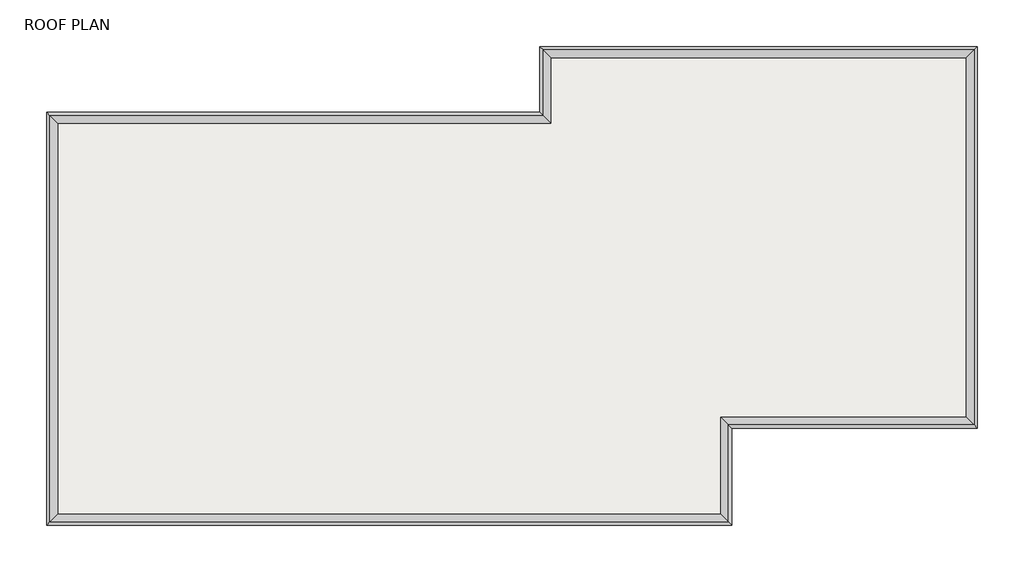
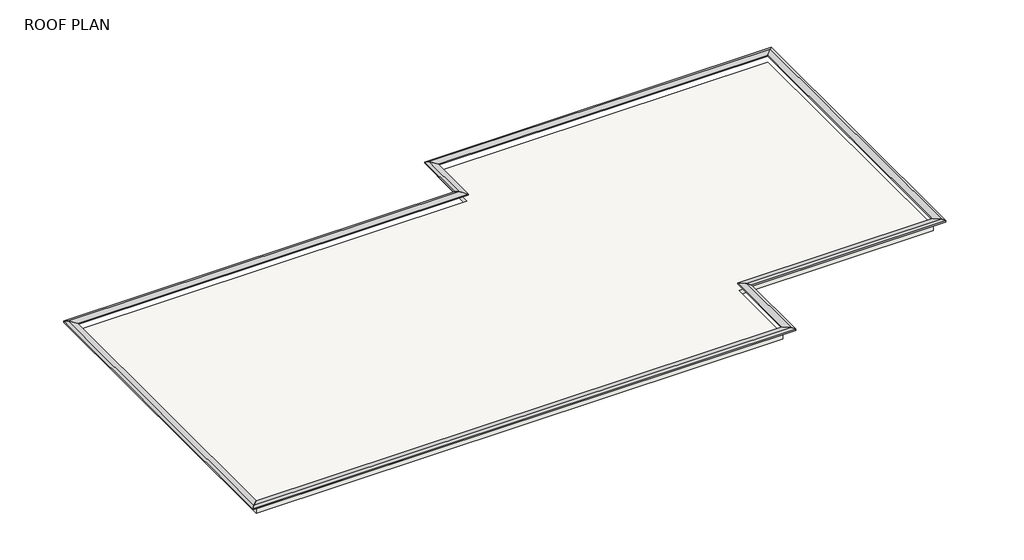
# One storey: 8 proxies, 1 roof.
"""IFC4 building model written with IfcOpenShell, lengths in millimetres."""

import ifcopenshell
import ifcopenshell.guid

model = None  # the IFC model being written
_history = None  # IfcOwnerHistory: only IFC2X3 demands one
_inside = {}  # id of a spatial element -> (the spatial element, [elements in it])
_under = {}  # id of a project, library or spatial element -> (it, [spatial elements below it])
_declared = {}  # id of a project -> (the project, [libraries it declares])
_typed = {}  # id of a type object -> (the type object, [elements of that type])
_made_of = {}  # id of a material, layer set ... -> (it, [elements and type objects made of it])


def new_model(schema):
    """Start an empty IFC model of exactly this schema.

    Asked for "IFC4X3", IfcOpenShell would pick the latest addendum, in which some entities
    have other attributes; the version numbers below select the first issue.
    IFC2X3 requires an IfcOwnerHistory on every rooted entity: one is made here for all.
    """
    global model, _history
    if schema == "IFC4X3":
        model = ifcopenshell.file(schema_version=(4, 3, 0, 0))
    else:
        model = ifcopenshell.file(schema=schema)
    _inside.clear()
    _under.clear()
    _declared.clear()
    _typed.clear()
    _made_of.clear()
    _history = None
    if model.schema == "IFC2X3":
        org = make("IfcOrganization", Name="unknown")
        user = make(
            "IfcPersonAndOrganization",
            ThePerson=make("IfcPerson", FamilyName="unknown"),
            TheOrganization=org,
        )
        app = make(
            "IfcApplication",
            ApplicationDeveloper=org,
            Version="unknown",
            ApplicationFullName="unknown",
            ApplicationIdentifier="unknown",
        )
        _history = make(
            "IfcOwnerHistory",
            OwningUser=user,
            OwningApplication=app,
            ChangeAction="ADDED",
            CreationDate=0,
        )
    return model


def make(cls, **values):
    """One entity of the class cls with the attributes given. An attribute that is None is left unset."""
    return model.create_entity(
        cls, **{name: value for name, value in values.items() if value is not None}
    )


def rooted(cls, **values):
    """An entity with a GlobalId (a new one), such as an element, a storey or a relation."""
    return make(cls, GlobalId=ifcopenshell.guid.new(), OwnerHistory=_history, **values)


def si_unit(unit_type, name, prefix=None):
    """IfcSIUnit, for example si_unit("LENGTHUNIT", "METRE", prefix="MILLI")."""
    return make("IfcSIUnit", UnitType=unit_type, Prefix=prefix, Name=name)


def assignment(units):
    """IfcUnitAssignment: the units of a project."""
    return None if units is None else make("IfcUnitAssignment", Units=units)


def point(xyz):
    """IfcCartesianPoint."""
    return None if xyz is None else make("IfcCartesianPoint", Coordinates=xyz)


def direction(xyz):
    """IfcDirection."""
    return None if xyz is None else make("IfcDirection", DirectionRatios=xyz)


def frame(location, z_axis=None, x_axis=None):
    """IfcAxis2Placement3D, a coordinate frame: its origin and axes. An axis left out is left unset."""
    return make(
        "IfcAxis2Placement3D",
        Location=point(location),
        Axis=direction(z_axis),
        RefDirection=direction(x_axis),
    )


def origin():
    """The frame at (0, 0, 0) with its axes left unset."""
    return frame((0.0, 0.0, 0.0))


def place(relative_to, where):
    """IfcLocalPlacement: puts the frame where relative to a parent placement (None: the world)."""
    return make(
        "IfcLocalPlacement", PlacementRelTo=relative_to, RelativePlacement=where
    )


def context(
    kind, dimensions, precision=None, world=None, true_north=None, identifier=None
):
    """IfcGeometricRepresentationContext, for example the 3D "Model" context."""
    return make(
        "IfcGeometricRepresentationContext",
        ContextIdentifier=identifier,
        ContextType=kind,
        CoordinateSpaceDimension=dimensions,
        Precision=precision,
        WorldCoordinateSystem=world,
        TrueNorth=true_north,
    )


def project(units=None, contexts=None):
    """IfcProject with its units and contexts."""
    return rooted(
        "IfcProject",
        Name="project",
        RepresentationContexts=contexts,
        UnitsInContext=assignment(units),
    )


def spatial(cls, under=None, at=None, **own):
    """A site, building, storey or space (cls), placed at a placement, below another one or the project."""
    s = rooted(cls, ObjectPlacement=at, **own)
    if under is not None:
        _under.setdefault(under.id(), (under, []))[1].append(s)
    return s


def polyline(points):
    """IfcPolyline through the points."""
    return make("IfcPolyline", Points=[point(p) for p in points])


def outline(outer, holes=None, kind="AREA"):
    """IfcArbitraryClosedProfileDef: a profile drawn as a closed curve; with holes, ...WithVoids."""
    if holes is None:
        return make("IfcArbitraryClosedProfileDef", ProfileType=kind, OuterCurve=outer)
    return make(
        "IfcArbitraryProfileDefWithVoids",
        ProfileType=kind,
        OuterCurve=outer,
        InnerCurves=holes,
    )


def extrude(swept, where, along, depth):
    """IfcExtrudedAreaSolid: the profile swept, set in the frame where, extruded along a direction by depth."""
    return make(
        "IfcExtrudedAreaSolid",
        SweptArea=swept,
        Position=where,
        ExtrudedDirection=direction(along),
        Depth=depth,
    )


def faces_of(points, faces, orient=None, outer=None):
    """IfcFace entities. A face is a list of loops; a loop is a list of indices into points, from 0.

    orient and outer hold one flag for each loop. By default every Orientation is true, the
    first loop of a face is its IfcFaceOuterBound and the others are IfcFaceBound.
    """
    made = []
    for i, loops in enumerate(faces):
        bounds = []
        for j, loop in enumerate(loops):
            is_outer = j == 0 if outer is None else outer[i][j]
            bounds.append(
                make(
                    "IfcFaceOuterBound" if is_outer else "IfcFaceBound",
                    Bound=make("IfcPolyLoop", Polygon=[points[k] for k in loop]),
                    Orientation=True if orient is None else orient[i][j],
                )
            )
        made.append(make("IfcFace", Bounds=bounds))
    return made


def faceted_brep(points, faces, orient=None, outer=None, voids=None):
    """IfcFacetedBrep: a solid bounded by flat faces; with voids (closed shells), ...WithVoids."""
    shared = [point(p) for p in points]
    hull = make("IfcClosedShell", CfsFaces=faces_of(shared, faces, orient, outer))
    if voids is None:
        return make("IfcFacetedBrep", Outer=hull)
    return make(
        "IfcFacetedBrepWithVoids",
        Outer=hull,
        Voids=[
            make(cls, CfsFaces=faces_of(shared, fs, o, b)) for cls, fs, o, b in voids
        ],
    )


def shape(context_of_items, identifier, shape_type, items):
    """IfcShapeRepresentation: the items that make up one representation, for example the "Body"."""
    return make(
        "IfcShapeRepresentation",
        ContextOfItems=context_of_items,
        RepresentationIdentifier=identifier,
        RepresentationType=shape_type,
        Items=items,
    )


def made_of(thing, what):
    """Note that an element or type object is made of a material, layer set ...; save() writes the relation."""
    if what is not None:
        _made_of.setdefault(what.id(), (what, []))[1].append(thing)
    return thing


def element(
    cls,
    number,
    at=None,
    inside=None,
    cuts=None,
    type_object=None,
    material=None,
    context=None,
    identifier="Body",
    shape_type=None,
    held_by="IfcProductDefinitionShape",
    body=None,
    shapes=None,
    **own,
):
    """One element of the class cls, such as IfcWall. Its Tag is "e" and its number.

    at: its placement. inside: the storey or other place that contains it. cuts: it is an
    opening in that element (IfcRelVoidsElement). A single representation is given by context,
    identifier, shape_type and body (its items); several are given by shapes. held_by: the class
    of the entity that holds the representations. save() writes the other relations.
    """
    e = rooted(cls, Tag="e%d" % number, ObjectPlacement=at, **own)
    if body is not None:
        shapes = [shape(context, identifier, shape_type, body)]
    if shapes is not None:
        e.Representation = make(held_by, Representations=shapes)
    if inside is not None:
        _inside.setdefault(inside.id(), (inside, []))[1].append(e)
    if cuts is not None:
        rooted(
            "IfcRelVoidsElement", RelatingBuildingElement=cuts, RelatedOpeningElement=e
        )
    if type_object is not None:
        _typed.setdefault(type_object.id(), (type_object, []))[1].append(e)
    return made_of(e, material)


def aggregate(whole, parts):
    """IfcRelAggregates: a whole, such as a stair, and the parts it consists of."""
    return rooted("IfcRelAggregates", RelatingObject=whole, RelatedObjects=parts)


def save(model, path):
    """Write the relations noted so far, then the file.

    IfcRelAggregates (storeys below a building ...), IfcRelContainedInSpatialStructure (elements
    in a storey), IfcRelDefinesByType, IfcRelAssociatesMaterial and IfcRelDeclares: one each for
    every whole, place, type object, material and project.
    """
    for whole, parts in _under.values():
        aggregate(whole, parts)
    for where, things in _inside.values():
        rooted(
            "IfcRelContainedInSpatialStructure",
            RelatedElements=things,
            RelatingStructure=where,
        )
    for kind, things in _typed.values():
        rooted("IfcRelDefinesByType", RelatedObjects=things, RelatingType=kind)
    for what, things in _made_of.values():
        rooted("IfcRelAssociatesMaterial", RelatedObjects=things, RelatingMaterial=what)
    for by, libraries in _declared.values():
        rooted("IfcRelDeclares", RelatingContext=by, RelatedDefinitions=libraries)
    model.write(path)


model = new_model("IFC4")

# Units and contexts
model_context = context("Model", 3, world=origin())
ifc_project = project(units=[si_unit("LENGTHUNIT", "METRE", prefix="MILLI")], contexts=[model_context])

# Site, building, storey
site = spatial("IfcSite", under=ifc_project)
building = spatial("IfcBuilding", under=site)
storey = spatial("IfcBuildingStorey", under=building, Name="ROOF PLAN", Elevation=7315.2)

# Proxies
placement = place(None, origin())
element("IfcBuildingElementProxy", 1, Name="Wall Sweeps", at=placement, inside=storey, context=model_context, shape_type="Brep", body=[
    faceted_brep([(11093.5689801, 5579.2827269, 7683.5), (11372.9689801, 5858.6827269, 7721.6), (11499.9689801, 5985.6827269, 7683.5), (11499.9689801, 5985.6827269, 7620.0), (11093.5689801, 5579.2827269, 7620.0), (11093.5689801, -7762.0672731, 7683.5), (11093.5689801, -7762.0672731, 7620.0), (11499.9689801, -8168.4672731, 7620.0), (11499.9689801, -8168.4672731, 7683.5), (11372.9689801, -8041.4672731, 7721.6)], [[[0, 1, 2, 3, 4]], [[5, 6, 7, 8, 9]], [[1, 0, 5, 9]], [[2, 1, 9, 8]], [[3, 2, 8, 7]], [[4, 3, 7, 6]], [[0, 4, 6, 5]]]),
])
element("IfcBuildingElementProxy", 2, Name="Wall Sweeps", at=placement, inside=storey, context=model_context, shape_type="Brep", body=[
    faceted_brep([(11093.5689801, -7762.0672731, 7683.5), (11372.9689801, -8041.4672731, 7721.6), (11499.9689801, -8168.4672731, 7683.5), (11499.9689801, -8168.4672731, 7620.0), (11093.5689801, -7762.0672731, 7620.0), (1984.4939801, -7762.0672731, 7683.5), (1984.4939801, -7762.0672731, 7620.0), (2390.8939801, -8168.4672731, 7620.0), (2390.8939801, -8168.4672731, 7683.5), (2263.8939801, -8041.4672731, 7721.6)], [[[0, 1, 2, 3, 4]], [[5, 6, 7, 8, 9]], [[1, 0, 5, 9]], [[2, 1, 9, 8]], [[3, 2, 8, 7]], [[4, 3, 7, 6]], [[0, 4, 6, 5]]]),
])
element("IfcBuildingElementProxy", 3, Name="Wall Sweeps", at=placement, inside=storey, context=model_context, shape_type="Brep", body=[
    faceted_brep([(1984.4939801, -7762.0672731, 7683.5), (2263.8939801, -8041.4672731, 7721.6), (2390.8939801, -8168.4672731, 7683.5), (2390.8939801, -8168.4672731, 7620.0), (1984.4939801, -7762.0672731, 7620.0), (1984.4939801, -11349.8172731, 7683.5), (1984.4939801, -11349.8172731, 7620.0), (2390.8939801, -11756.2172731, 7620.0), (2390.8939801, -11756.2172731, 7683.5), (2263.8939801, -11629.2172731, 7721.6)], [[[0, 1, 2, 3, 4]], [[5, 6, 7, 8, 9]], [[1, 0, 5, 9]], [[2, 1, 9, 8]], [[3, 2, 8, 7]], [[4, 3, 7, 6]], [[0, 4, 6, 5]]]),
])
element("IfcBuildingElementProxy", 4, Name="Wall Sweeps", at=placement, inside=storey, context=model_context, shape_type="Brep", body=[
    faceted_brep([(1984.4939801, -11349.8172731, 7683.5), (2263.8939801, -11629.2172731, 7721.6), (2390.8939801, -11756.2172731, 7683.5), (2390.8939801, -11756.2172731, 7620.0), (1984.4939801, -11349.8172731, 7620.0), (-22599.5310199, -11349.8172731, 7683.5), (-22599.5310199, -11349.8172731, 7620.0), (-23005.9310199, -11756.2172731, 7620.0), (-23005.9310199, -11756.2172731, 7683.5), (-22878.9310199, -11629.2172731, 7721.6)], [[[0, 1, 2, 3, 4]], [[5, 6, 7, 8, 9]], [[1, 0, 5, 9]], [[2, 1, 9, 8]], [[3, 2, 8, 7]], [[4, 3, 7, 6]], [[0, 4, 6, 5]]]),
])
element("IfcBuildingElementProxy", 5, Name="Wall Sweeps", at=placement, inside=storey, context=model_context, shape_type="Brep", body=[
    faceted_brep([(-22599.5310199, -11349.8172731, 7683.5), (-22878.9310199, -11629.2172731, 7721.6), (-23005.9310199, -11756.2172731, 7683.5), (-23005.9310199, -11756.2172731, 7620.0), (-22599.5310199, -11349.8172731, 7620.0), (-22599.5310199, 3140.8827269, 7683.5), (-22599.5310199, 3140.8827269, 7620.0), (-23005.9310199, 3547.2827269, 7620.0), (-23005.9310199, 3547.2827269, 7683.5), (-22878.9310199, 3420.2827269, 7721.6)], [[[0, 1, 2, 3, 4]], [[5, 6, 7, 8, 9]], [[1, 0, 5, 9]], [[2, 1, 9, 8]], [[3, 2, 8, 7]], [[4, 3, 7, 6]], [[0, 4, 6, 5]]]),
])
element("IfcBuildingElementProxy", 6, Name="Wall Sweeps", at=placement, inside=storey, context=model_context, shape_type="Brep", body=[
    faceted_brep([(-22599.5310199, 3140.8827269, 7683.5), (-22878.9310199, 3420.2827269, 7721.6), (-23005.9310199, 3547.2827269, 7683.5), (-23005.9310199, 3547.2827269, 7620.0), (-22599.5310199, 3140.8827269, 7620.0), (-4311.5310199, 3140.8827269, 7683.5), (-4311.5310199, 3140.8827269, 7620.0), (-4717.9310199, 3547.2827269, 7620.0), (-4717.9310199, 3547.2827269, 7683.5), (-4590.9310199, 3420.2827269, 7721.6)], [[[0, 1, 2, 3, 4]], [[5, 6, 7, 8, 9]], [[1, 0, 5, 9]], [[2, 1, 9, 8]], [[3, 2, 8, 7]], [[4, 3, 7, 6]], [[0, 4, 6, 5]]]),
])
element("IfcBuildingElementProxy", 7, Name="Wall Sweeps", at=placement, inside=storey, context=model_context, shape_type="Brep", body=[
    faceted_brep([(-4311.5310199, 3140.8827269, 7683.5), (-4590.9310199, 3420.2827269, 7721.6), (-4717.9310199, 3547.2827269, 7683.5), (-4717.9310199, 3547.2827269, 7620.0), (-4311.5310199, 3140.8827269, 7620.0), (-4311.5310199, 5579.2827269, 7683.5), (-4311.5310199, 5579.2827269, 7620.0), (-4717.9310199, 5985.6827269, 7620.0), (-4717.9310199, 5985.6827269, 7683.5), (-4590.9310199, 5858.6827269, 7721.6)], [[[0, 1, 2, 3, 4]], [[5, 6, 7, 8, 9]], [[1, 0, 5, 9]], [[2, 1, 9, 8]], [[3, 2, 8, 7]], [[4, 3, 7, 6]], [[0, 4, 6, 5]]]),
])
element("IfcBuildingElementProxy", 8, Name="Wall Sweeps", at=placement, inside=storey, context=model_context, shape_type="Brep", body=[
    faceted_brep([(-4311.5310199, 5579.2827269, 7683.5), (-4590.9310199, 5858.6827269, 7721.6), (-4717.9310199, 5985.6827269, 7683.5), (-4717.9310199, 5985.6827269, 7620.0), (-4311.5310199, 5579.2827269, 7620.0), (11093.5689801, 5579.2827269, 7683.5), (11093.5689801, 5579.2827269, 7620.0), (11499.9689801, 5985.6827269, 7620.0), (11499.9689801, 5985.6827269, 7683.5), (11372.9689801, 5858.6827269, 7721.6)], [[[0, 1, 2, 3, 4]], [[5, 6, 7, 8, 9]], [[1, 0, 5, 9]], [[2, 1, 9, 8]], [[3, 2, 8, 7]], [[4, 3, 7, 6]], [[0, 4, 6, 5]]]),
])

# Roof
element("IfcRoof", 9, ObjectType="Generic - 9\"", at=placement, inside=storey, context=model_context, shape_type="SweptSolid", body=[
    extrude(outline(polyline([(-22628.1060199, -11378.3922731), (-22628.1060199, 3169.4577269), (-4340.1060199, 3169.4577269), (-4340.1060199, 5607.8577269), (11122.1439801, 5607.8577269), (11122.1439801, -7790.6422731), (2013.0689801, -7790.6422731), (2013.0689801, -11378.3922731), (-22628.1060199, -11378.3922731)])), frame((0.0, 0.0, 7086.6), z_axis=(0.0, 0.0, 1.0), x_axis=(1.0, 0.0, 0.0)), (0.0, 0.0, 1.0), 228.6),
])

save(model, "model.ifc")
